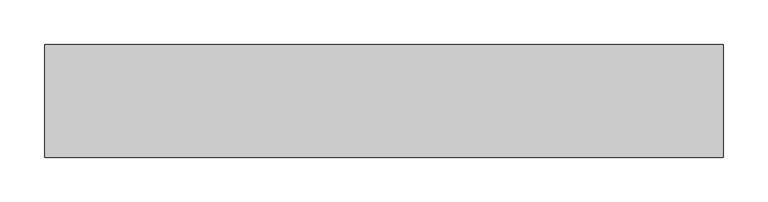
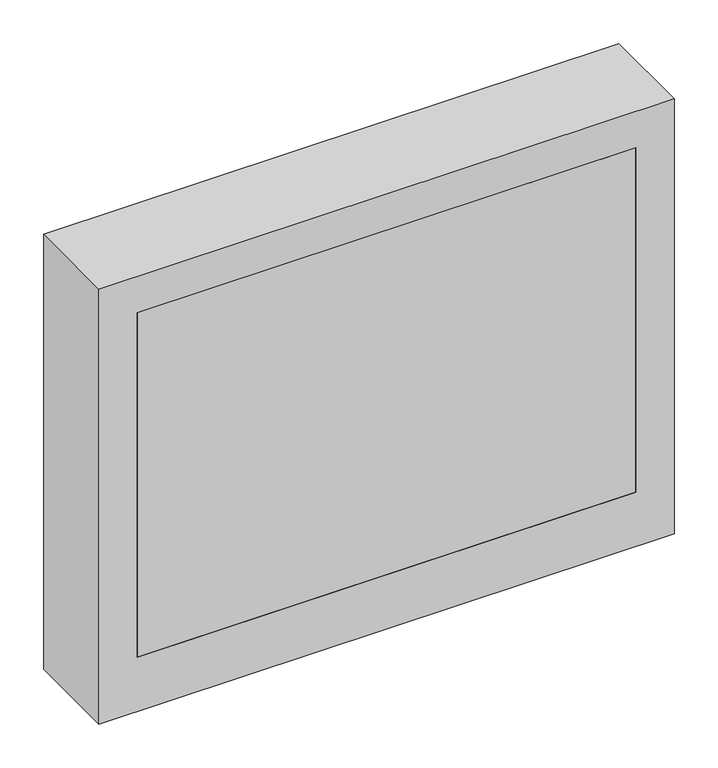
"""IFC4 building model written with IfcOpenShell, lengths in millimetres: proxy geometry."""

import ifcopenshell
import ifcopenshell.guid

model = None  # the IFC model being written
_history = None  # IfcOwnerHistory: only IFC2X3 demands one
_inside = {}  # id of a spatial element -> (the spatial element, [elements in it])
_under = {}  # id of a project, library or spatial element -> (it, [spatial elements below it])
_declared = {}  # id of a project -> (the project, [libraries it declares])
_typed = {}  # id of a type object -> (the type object, [elements of that type])
_made_of = {}  # id of a material, layer set ... -> (it, [elements and type objects made of it])


def new_model(schema):
    """Start an empty IFC model of exactly this schema.

    Asked for "IFC4X3", IfcOpenShell would pick the latest addendum, in which some entities
    have other attributes; the version numbers below select the first issue.
    IFC2X3 requires an IfcOwnerHistory on every rooted entity: one is made here for all.
    """
    global model, _history
    if schema == "IFC4X3":
        model = ifcopenshell.file(schema_version=(4, 3, 0, 0))
    else:
        model = ifcopenshell.file(schema=schema)
    _inside.clear()
    _under.clear()
    _declared.clear()
    _typed.clear()
    _made_of.clear()
    _history = None
    if model.schema == "IFC2X3":
        org = make("IfcOrganization", Name="unknown")
        user = make(
            "IfcPersonAndOrganization",
            ThePerson=make("IfcPerson", FamilyName="unknown"),
            TheOrganization=org,
        )
        app = make(
            "IfcApplication",
            ApplicationDeveloper=org,
            Version="unknown",
            ApplicationFullName="unknown",
            ApplicationIdentifier="unknown",
        )
        _history = make(
            "IfcOwnerHistory",
            OwningUser=user,
            OwningApplication=app,
            ChangeAction="ADDED",
            CreationDate=0,
        )
    return model


def make(cls, **values):
    """One entity of the class cls with the attributes given. An attribute that is None is left unset."""
    return model.create_entity(
        cls, **{name: value for name, value in values.items() if value is not None}
    )


def rooted(cls, **values):
    """An entity with a GlobalId (a new one), such as an element, a storey or a relation."""
    return make(cls, GlobalId=ifcopenshell.guid.new(), OwnerHistory=_history, **values)


def si_unit(unit_type, name, prefix=None):
    """IfcSIUnit, for example si_unit("LENGTHUNIT", "METRE", prefix="MILLI")."""
    return make("IfcSIUnit", UnitType=unit_type, Prefix=prefix, Name=name)


def assignment(units):
    """IfcUnitAssignment: the units of a project."""
    return None if units is None else make("IfcUnitAssignment", Units=units)


def point(xyz):
    """IfcCartesianPoint."""
    return None if xyz is None else make("IfcCartesianPoint", Coordinates=xyz)


def direction(xyz):
    """IfcDirection."""
    return None if xyz is None else make("IfcDirection", DirectionRatios=xyz)


def frame(location, z_axis=None, x_axis=None):
    """IfcAxis2Placement3D, a coordinate frame: its origin and axes. An axis left out is left unset."""
    return make(
        "IfcAxis2Placement3D",
        Location=point(location),
        Axis=direction(z_axis),
        RefDirection=direction(x_axis),
    )


def origin():
    """The frame at (0, 0, 0) with its axes left unset."""
    return frame((0.0, 0.0, 0.0))


def origin_with_axes():
    """The frame at (0, 0, 0) with the z axis (0, 0, 1) and the x axis (1, 0, 0) written out."""
    return frame((0.0, 0.0, 0.0), z_axis=(0.0, 0.0, 1.0), x_axis=(1.0, 0.0, 0.0))


def place(relative_to, where):
    """IfcLocalPlacement: puts the frame where relative to a parent placement (None: the world)."""
    return make(
        "IfcLocalPlacement", PlacementRelTo=relative_to, RelativePlacement=where
    )


def context(
    kind, dimensions, precision=None, world=None, true_north=None, identifier=None
):
    """IfcGeometricRepresentationContext, for example the 3D "Model" context."""
    return make(
        "IfcGeometricRepresentationContext",
        ContextIdentifier=identifier,
        ContextType=kind,
        CoordinateSpaceDimension=dimensions,
        Precision=precision,
        WorldCoordinateSystem=world,
        TrueNorth=true_north,
    )


def project(units=None, contexts=None):
    """IfcProject with its units and contexts."""
    return rooted(
        "IfcProject",
        Name="project",
        RepresentationContexts=contexts,
        UnitsInContext=assignment(units),
    )


def spatial(cls, under=None, at=None, **own):
    """A site, building, storey or space (cls), placed at a placement, below another one or the project."""
    s = rooted(cls, ObjectPlacement=at, **own)
    if under is not None:
        _under.setdefault(under.id(), (under, []))[1].append(s)
    return s


def polyline(points):
    """IfcPolyline through the points."""
    return make("IfcPolyline", Points=[point(p) for p in points])


def outline(outer, holes=None, kind="AREA"):
    """IfcArbitraryClosedProfileDef: a profile drawn as a closed curve; with holes, ...WithVoids."""
    if holes is None:
        return make("IfcArbitraryClosedProfileDef", ProfileType=kind, OuterCurve=outer)
    return make(
        "IfcArbitraryProfileDefWithVoids",
        ProfileType=kind,
        OuterCurve=outer,
        InnerCurves=holes,
    )


def extrude(swept, where, along, depth):
    """IfcExtrudedAreaSolid: the profile swept, set in the frame where, extruded along a direction by depth."""
    return make(
        "IfcExtrudedAreaSolid",
        SweptArea=swept,
        Position=where,
        ExtrudedDirection=direction(along),
        Depth=depth,
    )


def faces_of(points, faces, orient=None, outer=None):
    """IfcFace entities. A face is a list of loops; a loop is a list of indices into points, from 0.

    orient and outer hold one flag for each loop. By default every Orientation is true, the
    first loop of a face is its IfcFaceOuterBound and the others are IfcFaceBound.
    """
    made = []
    for i, loops in enumerate(faces):
        bounds = []
        for j, loop in enumerate(loops):
            is_outer = j == 0 if outer is None else outer[i][j]
            bounds.append(
                make(
                    "IfcFaceOuterBound" if is_outer else "IfcFaceBound",
                    Bound=make("IfcPolyLoop", Polygon=[points[k] for k in loop]),
                    Orientation=True if orient is None else orient[i][j],
                )
            )
        made.append(make("IfcFace", Bounds=bounds))
    return made


def faceted_brep(points, faces, orient=None, outer=None, voids=None):
    """IfcFacetedBrep: a solid bounded by flat faces; with voids (closed shells), ...WithVoids."""
    shared = [point(p) for p in points]
    hull = make("IfcClosedShell", CfsFaces=faces_of(shared, faces, orient, outer))
    if voids is None:
        return make("IfcFacetedBrep", Outer=hull)
    return make(
        "IfcFacetedBrepWithVoids",
        Outer=hull,
        Voids=[
            make(cls, CfsFaces=faces_of(shared, fs, o, b)) for cls, fs, o, b in voids
        ],
    )


def shape(context_of_items, identifier, shape_type, items):
    """IfcShapeRepresentation: the items that make up one representation, for example the "Body"."""
    return make(
        "IfcShapeRepresentation",
        ContextOfItems=context_of_items,
        RepresentationIdentifier=identifier,
        RepresentationType=shape_type,
        Items=items,
    )


def source(mapping_origin, context_of_items, identifier, shape_type, items):
    """IfcRepresentationMap: a shape defined once, which mapped items show again and again."""
    return make(
        "IfcRepresentationMap",
        MappingOrigin=mapping_origin,
        MappedRepresentation=shape(context_of_items, identifier, shape_type, items),
    )


def transform(
    local_origin,
    x_axis=None,
    y_axis=None,
    z_axis=None,
    scale=None,
    scale2=None,
    scale3=None,
    uniform=True,
):
    """IfcCartesianTransformationOperator3D, or its non-uniform kind. x_axis, y_axis, z_axis: its Axis1, 2, 3."""
    if uniform:
        return make(
            "IfcCartesianTransformationOperator3D",
            Axis1=direction(x_axis),
            Axis2=direction(y_axis),
            LocalOrigin=point(local_origin),
            Scale=scale,
            Axis3=direction(z_axis),
        )
    return make(
        "IfcCartesianTransformationOperator3DnonUniform",
        Axis1=direction(x_axis),
        Axis2=direction(y_axis),
        LocalOrigin=point(local_origin),
        Scale=scale,
        Axis3=direction(z_axis),
        Scale2=scale2,
        Scale3=scale3,
    )


def mapped(mapping_source, mapping_target):
    """IfcMappedItem: shows the shape of a source again, moved by a transform."""
    return make(
        "IfcMappedItem", MappingSource=mapping_source, MappingTarget=mapping_target
    )


def made_of(thing, what):
    """Note that an element or type object is made of a material, layer set ...; save() writes the relation."""
    if what is not None:
        _made_of.setdefault(what.id(), (what, []))[1].append(thing)
    return thing


def element(
    cls,
    number,
    at=None,
    inside=None,
    cuts=None,
    type_object=None,
    material=None,
    context=None,
    identifier="Body",
    shape_type=None,
    held_by="IfcProductDefinitionShape",
    body=None,
    shapes=None,
    **own,
):
    """One element of the class cls, such as IfcWall. Its Tag is "e" and its number.

    at: its placement. inside: the storey or other place that contains it. cuts: it is an
    opening in that element (IfcRelVoidsElement). A single representation is given by context,
    identifier, shape_type and body (its items); several are given by shapes. held_by: the class
    of the entity that holds the representations. save() writes the other relations.
    """
    e = rooted(cls, Tag="e%d" % number, ObjectPlacement=at, **own)
    if body is not None:
        shapes = [shape(context, identifier, shape_type, body)]
    if shapes is not None:
        e.Representation = make(held_by, Representations=shapes)
    if inside is not None:
        _inside.setdefault(inside.id(), (inside, []))[1].append(e)
    if cuts is not None:
        rooted(
            "IfcRelVoidsElement", RelatingBuildingElement=cuts, RelatedOpeningElement=e
        )
    if type_object is not None:
        _typed.setdefault(type_object.id(), (type_object, []))[1].append(e)
    return made_of(e, material)


def aggregate(whole, parts):
    """IfcRelAggregates: a whole, such as a stair, and the parts it consists of."""
    return rooted("IfcRelAggregates", RelatingObject=whole, RelatedObjects=parts)


def save(model, path):
    """Write the relations noted so far, then the file.

    IfcRelAggregates (storeys below a building ...), IfcRelContainedInSpatialStructure (elements
    in a storey), IfcRelDefinesByType, IfcRelAssociatesMaterial and IfcRelDeclares: one each for
    every whole, place, type object, material and project.
    """
    for whole, parts in _under.values():
        aggregate(whole, parts)
    for where, things in _inside.values():
        rooted(
            "IfcRelContainedInSpatialStructure",
            RelatedElements=things,
            RelatingStructure=where,
        )
    for kind, things in _typed.values():
        rooted("IfcRelDefinesByType", RelatedObjects=things, RelatingType=kind)
    for what, things in _made_of.values():
        rooted("IfcRelAssociatesMaterial", RelatedObjects=things, RelatingMaterial=what)
    for by, libraries in _declared.values():
        rooted("IfcRelDeclares", RelatingContext=by, RelatedDefinitions=libraries)
    model.write(path)


def specialty_equipment_dd6d49e5(model_context):
    return source(origin(), model_context, "Body", "SolidModel", [
        faceted_brep([(-381.0, -63.5, 609.6), (-381.0, 63.5, 609.6), (-381.0, 63.5, 0.0), (-381.0, -63.5, 0.0), (381.0, 63.5, 609.6), (381.0, 63.5, 0.0), (-330.2, -63.5, 558.8), (-330.2, -63.5, 76.2), (-330.2, 57.15, 76.2), (-330.2, 57.15, 558.8), (381.0, -63.5, 609.6), (381.0, -63.5, 0.0), (330.2, -63.5, 558.8), (330.2, -63.5, 76.2), (330.2, 57.15, 558.8), (330.2, 57.15, 76.2)], [[[0, 1, 2, 3]], [[1, 4, 5, 2]], [[6, 7, 8, 9]], [[10, 0, 3, 11], [7, 6, 12, 13]], [[1, 0, 10, 4]], [[12, 6, 9, 14]], [[4, 10, 11, 5]], [[13, 12, 14, 15]], [[5, 11, 3, 2]], [[7, 13, 15, 8]], [[9, 8, 15, 14]]]),
        extrude(outline(polyline([(330.2, -50.8), (330.2, -63.5), (-330.2, -63.5), (-330.2, -50.8), (330.2, -50.8)])), frame((0.0, 0.0, 76.2), z_axis=(0.0, 0.0, 1.0), x_axis=(1.0, 0.0, 0.0)), (0.0, 0.0, 1.0), 482.6),
        extrude(outline(polyline([(-381.0, 63.5), (381.0, 63.5), (381.0, -63.5), (-381.0, -63.5), (-381.0, 0.0), (-381.0, 63.5)])), origin_with_axes(), (0.0, 0.0, 1.0), 609.6),
    ])


if __name__ == "__main__":
    model = new_model("IFC4")
    model_context = context("Model", 3, world=origin())
    ifc_project = project(units=[si_unit("LENGTHUNIT", "METRE", prefix="MILLI")], contexts=[model_context])
    site = spatial("IfcSite", under=ifc_project)
    building = spatial("IfcBuilding", under=site)
    placement = place(None, origin())
    specialty_equipment_shape = specialty_equipment_dd6d49e5(model_context)
    element("IfcBuildingElementProxy", 1, Name="Specialty Equipment", at=placement, inside=building, context=model_context, shape_type="MappedRepresentation", body=[
        mapped(specialty_equipment_shape, transform((0.0, 0.0, 0.0), x_axis=(1.0, 0.0, 0.0), y_axis=(0.0, 1.0, 0.0), z_axis=(0.0, 0.0, 1.0))),
    ])
    save(model, "model.ifc")
